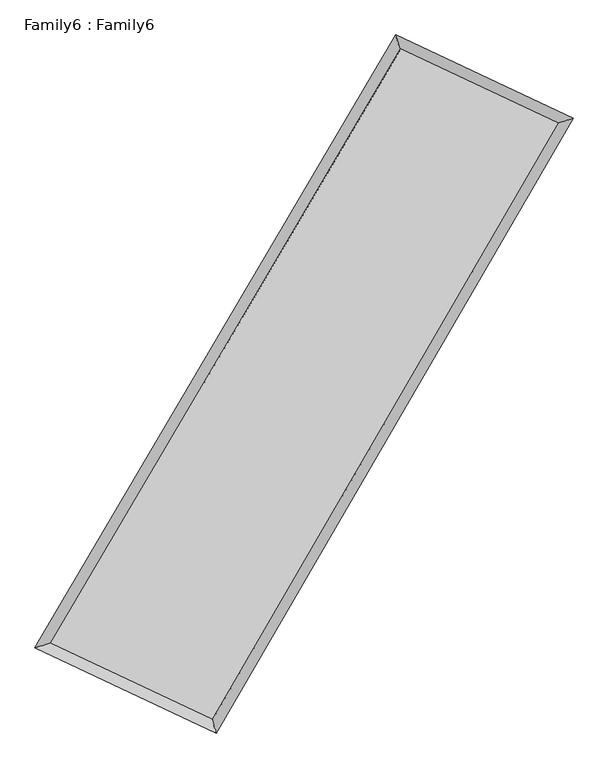
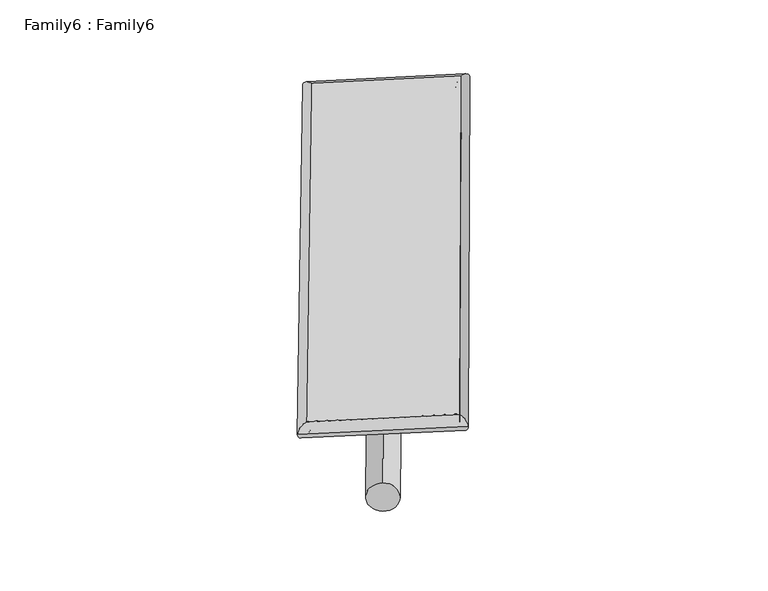
"""IFC4 building model written with IfcOpenShell, lengths in millimetres: plate geometry, Family6 : Family6."""

import ifcopenshell
import ifcopenshell.guid

model = None  # the IFC model being written
_history = None  # IfcOwnerHistory: only IFC2X3 demands one
_inside = {}  # id of a spatial element -> (the spatial element, [elements in it])
_under = {}  # id of a project, library or spatial element -> (it, [spatial elements below it])
_declared = {}  # id of a project -> (the project, [libraries it declares])
_typed = {}  # id of a type object -> (the type object, [elements of that type])
_made_of = {}  # id of a material, layer set ... -> (it, [elements and type objects made of it])


def new_model(schema):
    """Start an empty IFC model of exactly this schema.

    Asked for "IFC4X3", IfcOpenShell would pick the latest addendum, in which some entities
    have other attributes; the version numbers below select the first issue.
    IFC2X3 requires an IfcOwnerHistory on every rooted entity: one is made here for all.
    """
    global model, _history
    if schema == "IFC4X3":
        model = ifcopenshell.file(schema_version=(4, 3, 0, 0))
    else:
        model = ifcopenshell.file(schema=schema)
    _inside.clear()
    _under.clear()
    _declared.clear()
    _typed.clear()
    _made_of.clear()
    _history = None
    if model.schema == "IFC2X3":
        org = make("IfcOrganization", Name="unknown")
        user = make(
            "IfcPersonAndOrganization",
            ThePerson=make("IfcPerson", FamilyName="unknown"),
            TheOrganization=org,
        )
        app = make(
            "IfcApplication",
            ApplicationDeveloper=org,
            Version="unknown",
            ApplicationFullName="unknown",
            ApplicationIdentifier="unknown",
        )
        _history = make(
            "IfcOwnerHistory",
            OwningUser=user,
            OwningApplication=app,
            ChangeAction="ADDED",
            CreationDate=0,
        )
    return model


def make(cls, **values):
    """One entity of the class cls with the attributes given. An attribute that is None is left unset."""
    return model.create_entity(
        cls, **{name: value for name, value in values.items() if value is not None}
    )


def rooted(cls, **values):
    """An entity with a GlobalId (a new one), such as an element, a storey or a relation."""
    return make(cls, GlobalId=ifcopenshell.guid.new(), OwnerHistory=_history, **values)


def si_unit(unit_type, name, prefix=None):
    """IfcSIUnit, for example si_unit("LENGTHUNIT", "METRE", prefix="MILLI")."""
    return make("IfcSIUnit", UnitType=unit_type, Prefix=prefix, Name=name)


def assignment(units):
    """IfcUnitAssignment: the units of a project."""
    return None if units is None else make("IfcUnitAssignment", Units=units)


def point(xyz):
    """IfcCartesianPoint."""
    return None if xyz is None else make("IfcCartesianPoint", Coordinates=xyz)


def direction(xyz):
    """IfcDirection."""
    return None if xyz is None else make("IfcDirection", DirectionRatios=xyz)


def frame(location, z_axis=None, x_axis=None):
    """IfcAxis2Placement3D, a coordinate frame: its origin and axes. An axis left out is left unset."""
    return make(
        "IfcAxis2Placement3D",
        Location=point(location),
        Axis=direction(z_axis),
        RefDirection=direction(x_axis),
    )


def frame_2d(location, x_axis=None):
    """IfcAxis2Placement2D, a coordinate frame in the plane: its origin and x axis."""
    return make(
        "IfcAxis2Placement2D", Location=point(location), RefDirection=direction(x_axis)
    )


def origin():
    """The frame at (0, 0, 0) with its axes left unset."""
    return frame((0.0, 0.0, 0.0))


def origin_2d():
    """The frame at (0, 0) in the plane with its x axis left unset."""
    return frame_2d((0.0, 0.0))


def place(relative_to, where):
    """IfcLocalPlacement: puts the frame where relative to a parent placement (None: the world)."""
    return make(
        "IfcLocalPlacement", PlacementRelTo=relative_to, RelativePlacement=where
    )


def context(
    kind, dimensions, precision=None, world=None, true_north=None, identifier=None
):
    """IfcGeometricRepresentationContext, for example the 3D "Model" context."""
    return make(
        "IfcGeometricRepresentationContext",
        ContextIdentifier=identifier,
        ContextType=kind,
        CoordinateSpaceDimension=dimensions,
        Precision=precision,
        WorldCoordinateSystem=world,
        TrueNorth=true_north,
    )


def project(units=None, contexts=None):
    """IfcProject with its units and contexts."""
    return rooted(
        "IfcProject",
        Name="project",
        RepresentationContexts=contexts,
        UnitsInContext=assignment(units),
    )


def spatial(cls, under=None, at=None, **own):
    """A site, building, storey or space (cls), placed at a placement, below another one or the project."""
    s = rooted(cls, ObjectPlacement=at, **own)
    if under is not None:
        _under.setdefault(under.id(), (under, []))[1].append(s)
    return s


def circle_curve(where, radius):
    """IfcCircle in the frame where."""
    return make("IfcCircle", Position=where, Radius=radius)


def ellipse_curve(where, semi_axis1, semi_axis2):
    """IfcEllipse in the frame where."""
    return make(
        "IfcEllipse", Position=where, SemiAxis1=semi_axis1, SemiAxis2=semi_axis2
    )


def trimmed(basis, trim1, trim2, sense, master):
    """IfcTrimmedCurve: the piece of a basis curve between two trims."""
    return make(
        "IfcTrimmedCurve",
        BasisCurve=basis,
        Trim1=trim1,
        Trim2=trim2,
        SenseAgreement=sense,
        MasterRepresentation=master,
    )


def segment(curve, same_sense, transition):
    """IfcCompositeCurveSegment."""
    return make(
        "IfcCompositeCurveSegment",
        Transition=transition,
        SameSense=same_sense,
        ParentCurve=curve,
    )


def composite_curve(segments, self_intersect=None):
    """IfcCompositeCurve: segments joined end to end."""
    return make("IfcCompositeCurve", Segments=segments, SelfIntersect=self_intersect)


def outline(outer, holes=None, kind="AREA"):
    """IfcArbitraryClosedProfileDef: a profile drawn as a closed curve; with holes, ...WithVoids."""
    if holes is None:
        return make("IfcArbitraryClosedProfileDef", ProfileType=kind, OuterCurve=outer)
    return make(
        "IfcArbitraryProfileDefWithVoids",
        ProfileType=kind,
        OuterCurve=outer,
        InnerCurves=holes,
    )


def extrude(swept, where, along, depth):
    """IfcExtrudedAreaSolid: the profile swept, set in the frame where, extruded along a direction by depth."""
    return make(
        "IfcExtrudedAreaSolid",
        SweptArea=swept,
        Position=where,
        ExtrudedDirection=direction(along),
        Depth=depth,
    )


def shape(context_of_items, identifier, shape_type, items):
    """IfcShapeRepresentation: the items that make up one representation, for example the "Body"."""
    return make(
        "IfcShapeRepresentation",
        ContextOfItems=context_of_items,
        RepresentationIdentifier=identifier,
        RepresentationType=shape_type,
        Items=items,
    )


def source(mapping_origin, context_of_items, identifier, shape_type, items):
    """IfcRepresentationMap: a shape defined once, which mapped items show again and again."""
    return make(
        "IfcRepresentationMap",
        MappingOrigin=mapping_origin,
        MappedRepresentation=shape(context_of_items, identifier, shape_type, items),
    )


def transform(
    local_origin,
    x_axis=None,
    y_axis=None,
    z_axis=None,
    scale=None,
    scale2=None,
    scale3=None,
    uniform=True,
):
    """IfcCartesianTransformationOperator3D, or its non-uniform kind. x_axis, y_axis, z_axis: its Axis1, 2, 3."""
    if uniform:
        return make(
            "IfcCartesianTransformationOperator3D",
            Axis1=direction(x_axis),
            Axis2=direction(y_axis),
            LocalOrigin=point(local_origin),
            Scale=scale,
            Axis3=direction(z_axis),
        )
    return make(
        "IfcCartesianTransformationOperator3DnonUniform",
        Axis1=direction(x_axis),
        Axis2=direction(y_axis),
        LocalOrigin=point(local_origin),
        Scale=scale,
        Axis3=direction(z_axis),
        Scale2=scale2,
        Scale3=scale3,
    )


def mapped(mapping_source, mapping_target):
    """IfcMappedItem: shows the shape of a source again, moved by a transform."""
    return make(
        "IfcMappedItem", MappingSource=mapping_source, MappingTarget=mapping_target
    )


def made_of(thing, what):
    """Note that an element or type object is made of a material, layer set ...; save() writes the relation."""
    if what is not None:
        _made_of.setdefault(what.id(), (what, []))[1].append(thing)
    return thing


def element(
    cls,
    number,
    at=None,
    inside=None,
    cuts=None,
    type_object=None,
    material=None,
    context=None,
    identifier="Body",
    shape_type=None,
    held_by="IfcProductDefinitionShape",
    body=None,
    shapes=None,
    **own,
):
    """One element of the class cls, such as IfcWall. Its Tag is "e" and its number.

    at: its placement. inside: the storey or other place that contains it. cuts: it is an
    opening in that element (IfcRelVoidsElement). A single representation is given by context,
    identifier, shape_type and body (its items); several are given by shapes. held_by: the class
    of the entity that holds the representations. save() writes the other relations.
    """
    e = rooted(cls, Tag="e%d" % number, ObjectPlacement=at, **own)
    if body is not None:
        shapes = [shape(context, identifier, shape_type, body)]
    if shapes is not None:
        e.Representation = make(held_by, Representations=shapes)
    if inside is not None:
        _inside.setdefault(inside.id(), (inside, []))[1].append(e)
    if cuts is not None:
        rooted(
            "IfcRelVoidsElement", RelatingBuildingElement=cuts, RelatedOpeningElement=e
        )
    if type_object is not None:
        _typed.setdefault(type_object.id(), (type_object, []))[1].append(e)
    return made_of(e, material)


def aggregate(whole, parts):
    """IfcRelAggregates: a whole, such as a stair, and the parts it consists of."""
    return rooted("IfcRelAggregates", RelatingObject=whole, RelatedObjects=parts)


def save(model, path):
    """Write the relations noted so far, then the file.

    IfcRelAggregates (storeys below a building ...), IfcRelContainedInSpatialStructure (elements
    in a storey), IfcRelDefinesByType, IfcRelAssociatesMaterial and IfcRelDeclares: one each for
    every whole, place, type object, material and project.
    """
    for whole, parts in _under.values():
        aggregate(whole, parts)
    for where, things in _inside.values():
        rooted(
            "IfcRelContainedInSpatialStructure",
            RelatedElements=things,
            RelatingStructure=where,
        )
    for kind, things in _typed.values():
        rooted("IfcRelDefinesByType", RelatedObjects=things, RelatingType=kind)
    for what, things in _made_of.values():
        rooted("IfcRelAssociatesMaterial", RelatedObjects=things, RelatingMaterial=what)
    for by, libraries in _declared.values():
        rooted("IfcRelDeclares", RelatingContext=by, RelatedDefinitions=libraries)
    model.write(path)


def plane_surface(at):
    """IfcPlane: the flat surface through the origin of the frame at, square to its z axis."""
    return make("IfcPlane", Position=at)


def cylinder_surface(at, radius):
    """IfcCylindricalSurface: all points at the distance radius from the z axis of the frame at."""
    return make("IfcCylindricalSurface", Position=at, Radius=radius)


def spline_surface(u_degree, v_degree, points, u_multiplicities, v_multiplicities, u_knots, v_knots, weights=None):
    """IfcBSplineSurfaceWithKnots; with weights, IfcRationalBSplineSurfaceWithKnots. points: one row for each step in u."""
    own = dict(
        UDegree=u_degree,
        VDegree=v_degree,
        ControlPointsList=[[point(p) for p in row] for row in points],
        SurfaceForm="UNSPECIFIED",
        UClosed=False,
        VClosed=False,
        SelfIntersect=False,
        UMultiplicities=u_multiplicities,
        VMultiplicities=v_multiplicities,
        UKnots=u_knots,
        VKnots=v_knots,
        KnotSpec="UNSPECIFIED",
    )
    if weights is None:
        return make("IfcBSplineSurfaceWithKnots", **own)
    return make("IfcRationalBSplineSurfaceWithKnots", WeightsData=weights, **own)


def advanced_brep(points, edges, surfaces, faces):
    """IfcAdvancedBrep: a solid bounded by faces that lie on surfaces and meet in shared edges.

    An edge is (start, end): straight between two places in points (the first is 0);
    or (start, end, curve); or (start, end, curve, False) where it runs against its curve.
    A face is (place in surfaces, loops), or (place, loops, False) where it looks against
    its surface's normal. A loop lists edges by number (the first is 1), with a minus sign
    where the edge is run from its end to its start. The first loop is the outer one.
    """
    corners = [point(p) for p in points]
    vertices = [make("IfcVertexPoint", VertexGeometry=c) for c in corners]
    made = []
    for start, end, *more in edges:
        made.append(
            make(
                "IfcEdgeCurve",
                EdgeStart=vertices[start],
                EdgeEnd=vertices[end],
                EdgeGeometry=more[0] if more else make("IfcPolyline", Points=[corners[start], corners[end]]),
                SameSense=more[1] if len(more) > 1 else True,
            )
        )
    hull = []
    for where, loops, *sense in faces:
        bounds = []
        for j, loop in enumerate(loops):
            ring = [make("IfcOrientedEdge", EdgeElement=made[abs(k) - 1], Orientation=k > 0) for k in loop]
            bounds.append(
                make(
                    "IfcFaceOuterBound" if j == 0 else "IfcFaceBound",
                    Bound=make("IfcEdgeLoop", EdgeList=ring),
                    Orientation=True,
                )
            )
        hull.append(make("IfcAdvancedFace", Bounds=bounds, FaceSurface=surfaces[where], SameSense=sense[0] if sense else True))
    return make("IfcAdvancedBrep", Outer=make("IfcClosedShell", CfsFaces=hull))


def family6_family6_9f0b97cc(model_context):
    return source(origin(), model_context, "Body", "SolidModel", [
        extrude(outline(composite_curve([segment(trimmed(circle_curve(origin_2d(), 76.2), [point((-75.4341514, -10.7763073))], [point((75.4341514, 10.7763073))], False, "CARTESIAN"), True, "CONTINUOUS"), segment(trimmed(circle_curve(origin_2d(), 76.2), [point((75.4341514, 10.7763073))], [point((-75.4341514, -10.7763073))], False, "CARTESIAN"), True, "CONTINUOUS")], self_intersect=False)), frame((9144.0, 9144.0, 0.0), z_axis=(0.672214967132836, 0.6904563605780975, 0.2672022681412874), x_axis=(-0.6817909784186241, 0.7180029626480905, -0.14011712020856032)), (0.0, 0.0, 1.0), 5707.582838),
        extrude(outline(composite_curve([segment(trimmed(circle_curve(origin_2d(), 76.2), [point((-53.8815367, 53.8815367))], [point((53.8815367, -53.8815367))], False, "CARTESIAN"), True, "CONTINUOUS"), segment(trimmed(circle_curve(origin_2d(), 76.2), [point((53.8815367, -53.8815367))], [point((-53.8815367, 53.8815367))], False, "CARTESIAN"), True, "CONTINUOUS")], self_intersect=False)), frame((9144.0, 9144.0, 0.0), z_axis=(-0.6761153769665122, -0.68683231429572, 0.26670089813987574), x_axis=(0.6370897163401004, -0.36314634157007325, 0.6798833928976071)), (0.0, 0.0, 1.0), 5718.8255754),
        extrude(outline(composite_curve([segment(trimmed(circle_curve(origin_2d(), 76.2), [point((-53.8815367, -53.8815368))], [point((53.8815367, 53.8815368))], False, "CARTESIAN"), True, "CONTINUOUS"), segment(trimmed(circle_curve(origin_2d(), 76.2), [point((53.8815367, 53.8815368))], [point((-53.8815367, -53.8815368))], False, "CARTESIAN"), True, "CONTINUOUS")], self_intersect=False)), frame((9144.0, 9144.0, 0.0), z_axis=(0.2610010387167485, 0.9246958660316693, 0.2771570189129608), x_axis=(-0.8429580237702735, 0.35822996708968724, -0.4013640004288336)), (0.0, 0.0, 1.0), 5485.3126994),
        extrude(outline(composite_curve([segment(trimmed(circle_curve(origin_2d(), 76.2), [point((-75.4341514, 10.7763074))], [point((75.4341514, -10.7763074))], False, "CARTESIAN"), True, "CONTINUOUS"), segment(trimmed(circle_curve(origin_2d(), 76.2), [point((75.4341514, -10.7763074))], [point((-75.4341514, 10.7763074))], False, "CARTESIAN"), True, "CONTINUOUS")], self_intersect=False)), frame((9144.0, 9144.0, 0.0), z_axis=(-0.2554397195603758, -0.9263253887818031, 0.27689677457341), x_axis=(0.8837392765815685, -0.1075525703828084, 0.45545289068260064)), (0.0, 0.0, 1.0), 5491.3211952),
        advanced_brep(
        [(5061.2716902, 5149.3730392, 1524.8654012), (5061.2709133, 5149.3720225, 1525.6654905), (5493.5564904, 5282.8785508, 1525.5664333), (10636.5198932, 14019.2003339, 1520.7877275), (10514.8247313, 14413.2916202, 1519.7981037), (5493.5572673, 5282.8795675, 1524.7663441), (12765.5225539, 13017.652469, 1525.0245439), (13195.9226659, 13152.0212791, 1525.1336159), (7679.6613857, 4254.6561198, 1520.6079463), (7802.935522, 3859.8433981, 1520.4503079)],
        [
            (0, 1, ellipse_curve(frame((5277.4140903, 5216.125795, 1525.2159173), z_axis=(-0.2950860037979662, 0.9554702453721405, 0.000927669686970332), x_axis=(-0.955469198986143, -0.29508712098440026, 0.0014835153913641398)), 226.217057, 152.4)),
            (1, 2, ellipse_curve(frame((5277.4140903, 5216.125795, 1525.2159173), z_axis=(-0.2950860037979662, 0.9554702453721405, 0.000927669686970332), x_axis=(-0.955469198986143, -0.29508712098440026, 0.0014835153913641398)), 226.217057, 152.4)),
            (2, 3),
            (3, 4, ellipse_curve(frame((10575.6723122, 14216.245977, 1520.2929156), z_axis=(-0.9554801614848043, -0.2950539815204799, -0.0008994430968691397), x_axis=(0.2950522322091072, -0.9554796370418351, 0.001686258232271854)), 206.2272446, 152.4)),
            (4, 0),
            (2, 5, ellipse_curve(frame((5277.4140903, 5216.125795, 1525.2159173), z_axis=(-0.2950860037979662, 0.9554702453721405, 0.000927669686970332), x_axis=(-0.955469198986143, -0.29508712098440026, 0.0014835153913641398)), 226.217057, 152.4)),
            (5, 0, ellipse_curve(frame((5277.4140903, 5216.125795, 1525.2159173), z_axis=(-0.2950860037979662, 0.9554702453721405, 0.000927669686970332), x_axis=(-0.955469198986143, -0.29508712098440026, 0.0014835153913641398)), 226.217057, 152.4)),
            (4, 3, ellipse_curve(frame((10575.6723122, 14216.245977, 1520.2929156), z_axis=(-0.9554801614848043, -0.2950539815204799, -0.0008994430968691397), x_axis=(0.2950522322091072, -0.9554796370418351, 0.001686258232271854)), 206.2272446, 152.4)),
            (3, 6),
            (6, 7, ellipse_curve(frame((12980.7226099, 13084.8368741, 1525.0790799), z_axis=(-0.29800945265177053, 0.9545623851066855, -0.001009489786096087), x_axis=(-0.9545613157011449, -0.29801072371695436, -0.0015176022524383708)), 225.4438059, 152.4)),
            (7, 4),
            (7, 6, ellipse_curve(frame((12980.7226099, 13084.8368741, 1525.0790799), z_axis=(-0.29800945265177053, 0.9545623851066855, -0.001009489786096087), x_axis=(-0.9545613157011449, -0.29801072371695436, -0.0015176022524383708)), 225.4438059, 152.4)),
            (6, 8),
            (8, 9, ellipse_curve(frame((7741.2984539, 4057.2497589, 1520.5291271), z_axis=(0.9545516512566651, 0.2980442659537887, -0.0008721325824828262), x_axis=(-0.2980426715317987, 0.9545512138775619, 0.0015956287354710248)), 206.8053644, 152.4)),
            (9, 7),
            (9, 8, ellipse_curve(frame((7741.2984539, 4057.2497589, 1520.5291271), z_axis=(0.9545516512566651, 0.2980442659537887, -0.0008721325824828262), x_axis=(-0.2980426715317987, 0.9545512138775619, 0.0015956287354710248)), 206.8053644, 152.4)),
            (8, 5),
            (1, 9),
        ],
        [
            cylinder_surface(frame((5277.4140903, 5216.125795, 1525.2159173), z_axis=(-0.5073095557342516, -0.8617637683628188, 0.00047137864854529033), x_axis=(-0.8617611183589371, 0.5073064548007328, -0.002817055602232895)), 152.4),
            cylinder_surface(frame((10575.6723122, 14216.245977, 1520.2929156), z_axis=(-0.9048722043297386, 0.4256795169745122, -0.001800738677999202), x_axis=(0.42568227422854577, 0.9048712753772954, -0.0016051182761108041)), 152.4),
            cylinder_surface(frame((12980.7226099, 13084.8368741, 1525.0790799), z_axis=(0.5019634582141168, 0.8648887192011557, 0.0004359086019285091), x_axis=(0.8648888210926559, -0.5019634582141168, -0.00011733149921301615)), 152.4),
            cylinder_surface(frame((7741.2984539, 4057.2497589, 1520.5291271), z_axis=(0.9049020943405732, -0.4256163022975596, -0.0017213008443915988), x_axis=(-0.4256150391325778, -0.9049037026995771, 0.0010617460947973092)), 152.4),
        ],
        [
            (0, [[1, 2, 3, 4, 5]]),
            (0, [[6, 7, -5, 8, -3]]),
            (1, [[-4, 9, 10, 11]]),
            (1, [[-8, -11, 12, -9]]),
            (2, [[-10, 13, 14, 15]]),
            (2, [[-12, -15, 16, -13]]),
            (3, [[-14, 17, -6, -2, 18]]),
            (3, [[-16, -18, -1, -7, -17]]),
        ],
    ),
        extrude(outline(composite_curve([segment(trimmed(circle_curve(origin_2d(), 304.8), [point((0.0, -304.8))], [point((0.0, 304.8))], False, "CARTESIAN"), True, "CONTINUOUS"), segment(trimmed(circle_curve(origin_2d(), 304.8), [point((0.0, 304.8))], [point((0.0, -304.8))], False, "CARTESIAN"), True, "CONTINUOUS")], self_intersect=False)), frame((6495.4486134, 4613.3304785, -0.0001813), z_axis=(0.5046756094594849, 0.8633090577636126, 3.454811691564555e-08), x_axis=(-0.8633090577636132, 0.5046756094594849, 9.35732689509252e-09)), (0.0, 0.0, 1.0), 10496.0546418),
        advanced_brep(
        [(5277.4140903, 5216.125795, 1525.2159173), (7741.2984539, 4057.2497589, 1520.5291271), (7741.2999836, 4057.2520191, 1672.9291271), (5277.41562, 5216.1280552, 1677.6159172), (12980.7226099, 13084.8368741, 1525.0790799), (12980.7241396, 13084.8391343, 1677.4790799), (10575.6723122, 14216.245977, 1520.2929156), (10575.6738419, 14216.2482372, 1672.6929155)],
        [
            (0, 1),
            (1, 2),
            (2, 3),
            (3, 0),
            (1, 4),
            (4, 5),
            (5, 2),
            (4, 6),
            (6, 7),
            (7, 5),
            (6, 0),
            (3, 7),
        ],
        [
            plane_surface(frame((6509.3562721, 4636.687777, 1522.8725222), z_axis=(-0.42561690519865486, -0.9049034477203062, 1.7692440854201268e-05), x_axis=(0.9049020943405733, -0.4256163022975592, -0.0017213008443916003))),
            plane_surface(frame((10361.0105319, 8571.0433165, 1522.8041035), z_axis=(0.8648888016426165, -0.5019635054380646, -1.236821106175755e-06), x_axis=(0.5019634582141167, 0.8648887192011558, 0.0004359086019285081))),
            plane_surface(frame((11778.1974611, 13650.5414255, 1522.6859978), z_axis=(0.42568023590564236, 0.9048736577259211, -1.7692634730751282e-05), x_axis=(-0.9048722043297384, 0.42567951697451195, -0.0018007386779992018))),
            plane_surface(frame((7926.5432013, 9716.185886, 1522.7544164), z_axis=(-0.8617638638340016, 0.5073096125529497, 1.1261683034611495e-06), x_axis=(-0.5073095557342518, -0.8617637683628185, 0.0004713786485452901))),
            spline_surface(1, 1, [[(7741.2999836, 4057.2520191, 1672.9291271), (5277.41562, 5216.1280552, 1677.6159172)], [(12980.7241396, 13084.8391343, 1677.4790799), (10575.6738419, 14216.2482372, 1672.6929155)]], [2, 2], [2, 2], [0.0, 1.0], [0.0, 1.0]),
            spline_surface(1, 1, [[(10575.6723122, 14216.245977, 1520.2929156), (5277.4140903, 5216.125795, 1525.2159173)], [(12980.7226099, 13084.8368741, 1525.0790799), (7741.2984539, 4057.2497589, 1520.5291271)]], [2, 2], [2, 2], [0.0, 1.0], [0.0, 1.0]),
        ],
        [
            (0, [[1, 2, 3, 4]]),
            (1, [[5, 6, 7, -2]]),
            (2, [[8, 9, 10, -6]]),
            (3, [[11, -4, 12, -9]]),
            (4, [[-3, -7, -10, -12]]),
            (5, [[-11, -8, -5, -1]]),
        ],
    ),
    ])


if __name__ == "__main__":
    model = new_model("IFC4")
    model_context = context("Model", 3, world=origin())
    ifc_project = project(units=[si_unit("LENGTHUNIT", "METRE", prefix="MILLI")], contexts=[model_context])
    site = spatial("IfcSite", under=ifc_project)
    building = spatial("IfcBuilding", under=site)
    placement = place(None, origin())
    family6_family6_shape = family6_family6_9f0b97cc(model_context)
    element("IfcPlate", 1, ObjectType="Family6 : Family6", at=placement, inside=building, context=model_context, shape_type="MappedRepresentation", body=[
        mapped(family6_family6_shape, transform((0.0, 0.0, 0.0), x_axis=(1.0, 0.0, 0.0), y_axis=(0.0, 1.0, 0.0), z_axis=(0.0, 0.0, 1.0))),
    ])
    save(model, "model.ifc")
